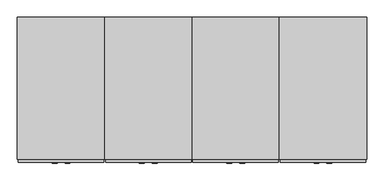
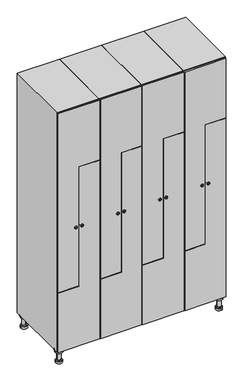
"""IFC4 building model written with IfcOpenShell, lengths in millimetres: furniture geometry."""

from ifc_helpers import new_model, si_unit, point, frame, frame_2d, origin, place, context, project, spatial, polyline, circle_curve, trimmed, segment, composite_curve, outline, extrude, faceted_brep, source, transform, mapped, element, save
from ifc_brep_helpers import plane_surface, cylinder_surface, revolved_surface, advanced_brep


def furniture_01388f38(model_context):
    return source(origin(), model_context, "Body", "SolidModel", [
        advanced_brep(
        [(970.0, -201.0, 22.0), (970.0, -201.5, 16.0), (970.0, -228.5, 16.0), (970.0, -229.0, 22.0), (956.0, -215.0, 22.0), (984.0, -215.0, 22.0), (970.0, -192.5, 16.0), (970.0, -237.5, 16.0), (970.0, -192.5, 0.0), (970.0, -237.5, 0.0), (984.0, -215.0, 78.0), (956.0, -215.0, 78.0), (995.0, -215.0, 78.0), (945.0, -215.0, 78.0), (1000.0, -215.0, 94.0), (940.0, -215.0, 94.0), (945.0, -215.0, 94.0), (995.0, -215.0, 94.0), (1000.0, -215.0, 100.0), (940.0, -215.0, 100.0)],
        [
            (0, 1),
            (1, 2, circle_curve(frame((970.0, -215.0, 16.0), z_axis=(0.0, 0.0, 1.0), x_axis=(0.0, -1.0, 0.0)), 13.5)),
            (2, 3),
            (3, 4, circle_curve(frame((970.0, -215.0, 22.0), z_axis=(0.0, 0.0, -1.0), x_axis=(0.0, -1.0, 0.0)), 14.0)),
            (4, 0, circle_curve(frame((970.0, -215.0, 22.0), z_axis=(0.0, 0.0, -1.0), x_axis=(0.0, -1.0, 0.0)), 14.0)),
            (0, 5, circle_curve(frame((970.0, -215.0, 22.0), z_axis=(0.0, 0.0, -1.0), x_axis=(0.0, 1.0, 0.0)), 14.0)),
            (5, 3, circle_curve(frame((970.0, -215.0, 22.0), z_axis=(0.0, 0.0, -1.0), x_axis=(0.0, 1.0, 0.0)), 14.0)),
            (2, 1, circle_curve(frame((970.0, -215.0, 16.0), z_axis=(0.0, 0.0, 1.0), x_axis=(0.0, 1.0, 0.0)), 13.5)),
            (6, 7, circle_curve(frame((970.0, -215.0, 16.0), z_axis=(0.0, 0.0, 1.0), x_axis=(0.0, -1.0, 0.0)), 22.5)),
            (7, 6, circle_curve(frame((970.0, -215.0, 16.0), z_axis=(0.0, 0.0, 1.0), x_axis=(0.0, -1.0, 0.0)), 22.5)),
            (8, 9, circle_curve(frame((970.0, -215.0, 0.0), z_axis=(0.0, 0.0, -1.0), x_axis=(0.0, -1.0, 0.0)), 22.5)),
            (9, 8, circle_curve(frame((970.0, -215.0, 0.0), z_axis=(0.0, 0.0, -1.0), x_axis=(0.0, -1.0, 0.0)), 22.5)),
            (6, 8),
            (9, 7),
            (5, 10),
            (10, 11, circle_curve(frame((970.0, -215.0, 78.0), z_axis=(0.0, 0.0, -1.0), x_axis=(-1.0, 0.0, 0.0)), 14.0)),
            (11, 4),
            (11, 10, circle_curve(frame((970.0, -215.0, 78.0), z_axis=(0.0, 0.0, -1.0), x_axis=(-1.0, 0.0, 0.0)), 14.0)),
            (12, 13, circle_curve(frame((970.0, -215.0, 78.0), z_axis=(0.0, 0.0, -1.0), x_axis=(-1.0, 0.0, 0.0)), 25.0)),
            (13, 12, circle_curve(frame((970.0, -215.0, 78.0), z_axis=(0.0, 0.0, -1.0), x_axis=(-1.0, 0.0, 0.0)), 25.0)),
            (14, 15, circle_curve(frame((970.0, -215.0, 94.0), z_axis=(0.0, 0.0, -1.0), x_axis=(-1.0, 0.0, 0.0)), 30.0)),
            (15, 14, circle_curve(frame((970.0, -215.0, 94.0), z_axis=(0.0, 0.0, -1.0), x_axis=(-1.0, 0.0, 0.0)), 30.0)),
            (16, 17, circle_curve(frame((970.0, -215.0, 94.0), z_axis=(0.0, 0.0, 1.0), x_axis=(-1.0, 0.0, 0.0)), 25.0)),
            (17, 16, circle_curve(frame((970.0, -215.0, 94.0), z_axis=(0.0, 0.0, 1.0), x_axis=(-1.0, 0.0, 0.0)), 25.0)),
            (18, 19, circle_curve(frame((970.0, -215.0, 100.0), z_axis=(0.0, 0.0, 1.0), x_axis=(-1.0, 0.0, 0.0)), 30.0)),
            (19, 18, circle_curve(frame((970.0, -215.0, 100.0), z_axis=(0.0, 0.0, 1.0), x_axis=(-1.0, 0.0, 0.0)), 30.0)),
            (14, 18),
            (19, 15),
            (12, 17),
            (16, 13),
        ],
        [
            revolved_surface(polyline([(970.0, -201.5, 16.0), (970.0, -201.0, 22.0)]), (970.0, -215.0, -146.0), (0.0, 0.0, 1.0)),
            plane_surface(frame((970.0, 0.0, 16.0), z_axis=(0.0, 0.0, 1.0), x_axis=(0.0, -1.0, 0.0))),
            plane_surface(frame((970.0, 0.0, 0.0), z_axis=(0.0, 0.0, -1.0), x_axis=(0.0, -1.0, 0.0))),
            cylinder_surface(frame((970.0, -215.0, 16.0), z_axis=(0.0, 0.0, 1.0), x_axis=(0.0, -1.0, 0.0)), 22.5),
            cylinder_surface(frame((970.0, -215.0, 22.0), z_axis=(0.0, 0.0, -1.0), x_axis=(-1.0, 0.0, 0.0)), 14.0),
            plane_surface(frame((970.0, 0.0, 78.0), z_axis=(0.0, 0.0, -1.0), x_axis=(0.0, -1.0, 0.0))),
            plane_surface(frame((970.0, 0.0, 94.0), z_axis=(0.0, 0.0, -1.0), x_axis=(0.0, -1.0, 0.0))),
            plane_surface(frame((970.0, 0.0, 100.0), z_axis=(0.0, 0.0, 1.0), x_axis=(0.0, -1.0, 0.0))),
            cylinder_surface(frame((970.0, -215.0, 94.0), z_axis=(0.0, 0.0, -1.0), x_axis=(-1.0, 0.0, 0.0)), 30.0),
            cylinder_surface(frame((970.0, -215.0, 78.0), z_axis=(0.0, 0.0, -1.0), x_axis=(-1.0, 0.0, 0.0)), 25.0),
        ],
        [
            (0, [[1, 2, 3, 4, 5]]),
            (0, [[-1, 6, 7, -3, 8]]),
            (1, [[9, 10], [-2, -8]]),
            (2, [[11, 12]]),
            (3, [[-9, 13, -12, 14]]),
            (3, [[-10, -14, -11, -13]]),
            (4, [[15, 16, 17, -4, -7]]),
            (4, [[-15, -6, -5, -17, 18]]),
            (5, [[19, 20], [-16, -18]]),
            (6, [[21, 22], [23, 24]]),
            (7, [[25, 26]]),
            (8, [[-21, 27, -26, 28]]),
            (8, [[-22, -28, -25, -27]]),
            (9, [[-19, 29, -23, 30]]),
            (9, [[-20, -30, -24, -29]]),
        ],
    ),
        advanced_brep(
        [(-170.0, -201.0, 22.0), (-170.0, -201.5, 16.0), (-170.0, -228.5, 16.0), (-170.0, -229.0, 22.0), (-184.0, -215.0, 22.0), (-156.0, -215.0, 22.0), (-147.5, -215.0, 0.0), (-192.5, -215.0, 0.0), (-147.5, -215.0, 16.0), (-192.5, -215.0, 16.0), (-156.0, -215.0, 78.0), (-184.0, -215.0, 78.0), (-145.0, -215.0, 78.0), (-195.0, -215.0, 78.0), (-140.0, -215.0, 94.0), (-200.0, -215.0, 94.0), (-195.0, -215.0, 94.0), (-145.0, -215.0, 94.0), (-140.0, -215.0, 100.0), (-200.0, -215.0, 100.0)],
        [
            (0, 1),
            (1, 2, circle_curve(frame((-170.0, -215.0, 16.0), z_axis=(0.0, 0.0, 1.0), x_axis=(0.0, -1.0, 0.0)), 13.5)),
            (2, 3),
            (3, 4, circle_curve(frame((-170.0, -215.0, 22.0), z_axis=(0.0, 0.0, -1.0), x_axis=(0.0, -1.0, 0.0)), 14.0)),
            (4, 0, circle_curve(frame((-170.0, -215.0, 22.0), z_axis=(0.0, 0.0, -1.0), x_axis=(0.0, -1.0, 0.0)), 14.0)),
            (0, 5, circle_curve(frame((-170.0, -215.0, 22.0), z_axis=(0.0, 0.0, -1.0), x_axis=(0.0, 1.0, 0.0)), 14.0)),
            (5, 3, circle_curve(frame((-170.0, -215.0, 22.0), z_axis=(0.0, 0.0, -1.0), x_axis=(0.0, 1.0, 0.0)), 14.0)),
            (2, 1, circle_curve(frame((-170.0, -215.0, 16.0), z_axis=(0.0, 0.0, 1.0), x_axis=(0.0, 1.0, 0.0)), 13.5)),
            (6, 7, circle_curve(frame((-170.0, -215.0, 0.0), z_axis=(0.0, 0.0, -1.0), x_axis=(-1.0, 0.0, 0.0)), 22.5)),
            (7, 6, circle_curve(frame((-170.0, -215.0, 0.0), z_axis=(0.0, 0.0, -1.0), x_axis=(-1.0, 0.0, 0.0)), 22.5)),
            (8, 9, circle_curve(frame((-170.0, -215.0, 16.0), z_axis=(0.0, 0.0, 1.0), x_axis=(-1.0, 0.0, 0.0)), 22.5)),
            (9, 8, circle_curve(frame((-170.0, -215.0, 16.0), z_axis=(0.0, 0.0, 1.0), x_axis=(-1.0, 0.0, 0.0)), 22.5)),
            (6, 8),
            (9, 7),
            (5, 10),
            (10, 11, circle_curve(frame((-170.0, -215.0, 78.0), z_axis=(0.0, 0.0, -1.0), x_axis=(-1.0, 0.0, 0.0)), 14.0)),
            (11, 4),
            (11, 10, circle_curve(frame((-170.0, -215.0, 78.0), z_axis=(0.0, 0.0, -1.0), x_axis=(-1.0, 0.0, 0.0)), 14.0)),
            (12, 13, circle_curve(frame((-170.0, -215.0, 78.0), z_axis=(0.0, 0.0, -1.0), x_axis=(-1.0, 0.0, 0.0)), 25.0)),
            (13, 12, circle_curve(frame((-170.0, -215.0, 78.0), z_axis=(0.0, 0.0, -1.0), x_axis=(-1.0, 0.0, 0.0)), 25.0)),
            (14, 15, circle_curve(frame((-170.0, -215.0, 94.0), z_axis=(0.0, 0.0, -1.0), x_axis=(-1.0, 0.0, 0.0)), 30.0)),
            (15, 14, circle_curve(frame((-170.0, -215.0, 94.0), z_axis=(0.0, 0.0, -1.0), x_axis=(-1.0, 0.0, 0.0)), 30.0)),
            (16, 17, circle_curve(frame((-170.0, -215.0, 94.0), z_axis=(0.0, 0.0, 1.0), x_axis=(-1.0, 0.0, 0.0)), 25.0)),
            (17, 16, circle_curve(frame((-170.0, -215.0, 94.0), z_axis=(0.0, 0.0, 1.0), x_axis=(-1.0, 0.0, 0.0)), 25.0)),
            (18, 19, circle_curve(frame((-170.0, -215.0, 100.0), z_axis=(0.0, 0.0, 1.0), x_axis=(-1.0, 0.0, 0.0)), 30.0)),
            (19, 18, circle_curve(frame((-170.0, -215.0, 100.0), z_axis=(0.0, 0.0, 1.0), x_axis=(-1.0, 0.0, 0.0)), 30.0)),
            (14, 18),
            (19, 15),
            (12, 17),
            (16, 13),
        ],
        [
            revolved_surface(polyline([(-170.0, -201.5, 16.0), (-170.0, -201.0, 22.0)]), (-170.0, -215.0, -146.0), (0.0, 0.0, 1.0)),
            plane_surface(frame((-170.0, 0.0, 0.0), z_axis=(0.0, 0.0, -1.0), x_axis=(0.0, -1.0, 0.0))),
            plane_surface(frame((-170.0, 0.0, 16.0), z_axis=(0.0, 0.0, 1.0), x_axis=(0.0, -1.0, 0.0))),
            cylinder_surface(frame((-170.0, -215.0, 0.0), z_axis=(0.0, 0.0, -1.0), x_axis=(-1.0, 0.0, 0.0)), 22.5),
            cylinder_surface(frame((-170.0, -215.0, 22.0), z_axis=(0.0, 0.0, -1.0), x_axis=(-1.0, 0.0, 0.0)), 14.0),
            plane_surface(frame((-170.0, 0.0, 78.0), z_axis=(0.0, 0.0, -1.0), x_axis=(0.0, -1.0, 0.0))),
            plane_surface(frame((-170.0, 0.0, 94.0), z_axis=(0.0, 0.0, -1.0), x_axis=(0.0, -1.0, 0.0))),
            plane_surface(frame((-170.0, 0.0, 100.0), z_axis=(0.0, 0.0, 1.0), x_axis=(0.0, -1.0, 0.0))),
            cylinder_surface(frame((-170.0, -215.0, 94.0), z_axis=(0.0, 0.0, -1.0), x_axis=(-1.0, 0.0, 0.0)), 30.0),
            cylinder_surface(frame((-170.0, -215.0, 78.0), z_axis=(0.0, 0.0, -1.0), x_axis=(-1.0, 0.0, 0.0)), 25.0),
        ],
        [
            (0, [[1, 2, 3, 4, 5]]),
            (0, [[-1, 6, 7, -3, 8]]),
            (1, [[9, 10]]),
            (2, [[11, 12], [-2, -8]]),
            (3, [[-9, 13, -12, 14]]),
            (3, [[-10, -14, -11, -13]]),
            (4, [[15, 16, 17, -4, -7]]),
            (4, [[-15, -6, -5, -17, 18]]),
            (5, [[19, 20], [-16, -18]]),
            (6, [[21, 22], [23, 24]]),
            (7, [[25, 26]]),
            (8, [[-21, 27, -26, 28]]),
            (8, [[-22, -28, -25, -27]]),
            (9, [[-19, 29, -23, 30]]),
            (9, [[-20, -30, -24, -29]]),
        ],
    ),
        advanced_brep(
        [(983.5, 215.0, 16.0), (984.0, 215.0, 22.0), (956.0, 215.0, 22.0), (956.5, 215.0, 16.0), (992.5, 215.0, 0.0), (947.5, 215.0, 0.0), (992.5, 215.0, 16.0), (947.5, 215.0, 16.0), (984.0, 215.0, 78.0), (956.0, 215.0, 78.0), (995.0, 215.0, 78.0), (945.0, 215.0, 78.0), (1000.0, 215.0, 94.0), (940.0, 215.0, 94.0), (945.0, 215.0, 94.0), (995.0, 215.0, 94.0), (1000.0, 215.0, 100.0), (940.0, 215.0, 100.0)],
        [
            (0, 1),
            (1, 2, circle_curve(frame((970.0, 215.0, 22.0), z_axis=(0.0, 0.0, -1.0), x_axis=(-1.0, 0.0, 0.0)), 14.0)),
            (2, 3),
            (3, 0, circle_curve(frame((970.0, 215.0, 16.0), z_axis=(0.0, 0.0, 1.0), x_axis=(-1.0, 0.0, 0.0)), 13.5)),
            (0, 3, circle_curve(frame((970.0, 215.0, 16.0), z_axis=(0.0, 0.0, 1.0), x_axis=(1.0, 0.0, 0.0)), 13.5)),
            (2, 1, circle_curve(frame((970.0, 215.0, 22.0), z_axis=(0.0, 0.0, -1.0), x_axis=(1.0, 0.0, 0.0)), 14.0)),
            (4, 5, circle_curve(frame((970.0, 215.0, 0.0), z_axis=(0.0, 0.0, -1.0), x_axis=(-1.0, 0.0, 0.0)), 22.5)),
            (5, 4, circle_curve(frame((970.0, 215.0, 0.0), z_axis=(0.0, 0.0, -1.0), x_axis=(-1.0, 0.0, 0.0)), 22.5)),
            (6, 7, circle_curve(frame((970.0, 215.0, 16.0), z_axis=(0.0, 0.0, 1.0), x_axis=(-1.0, 0.0, 0.0)), 22.5)),
            (7, 6, circle_curve(frame((970.0, 215.0, 16.0), z_axis=(0.0, 0.0, 1.0), x_axis=(-1.0, 0.0, 0.0)), 22.5)),
            (4, 6),
            (7, 5),
            (1, 8),
            (8, 9, circle_curve(frame((970.0, 215.0, 78.0), z_axis=(0.0, 0.0, -1.0), x_axis=(-1.0, 0.0, 0.0)), 14.0)),
            (9, 2),
            (9, 8, circle_curve(frame((970.0, 215.0, 78.0), z_axis=(0.0, 0.0, -1.0), x_axis=(-1.0, 0.0, 0.0)), 14.0)),
            (10, 11, circle_curve(frame((970.0, 215.0, 78.0), z_axis=(0.0, 0.0, -1.0), x_axis=(-1.0, 0.0, 0.0)), 25.0)),
            (11, 10, circle_curve(frame((970.0, 215.0, 78.0), z_axis=(0.0, 0.0, -1.0), x_axis=(-1.0, 0.0, 0.0)), 25.0)),
            (12, 13, circle_curve(frame((970.0, 215.0, 94.0), z_axis=(0.0, 0.0, -1.0), x_axis=(-1.0, 0.0, 0.0)), 30.0)),
            (13, 12, circle_curve(frame((970.0, 215.0, 94.0), z_axis=(0.0, 0.0, -1.0), x_axis=(-1.0, 0.0, 0.0)), 30.0)),
            (14, 15, circle_curve(frame((970.0, 215.0, 94.0), z_axis=(0.0, 0.0, 1.0), x_axis=(-1.0, 0.0, 0.0)), 25.0)),
            (15, 14, circle_curve(frame((970.0, 215.0, 94.0), z_axis=(0.0, 0.0, 1.0), x_axis=(-1.0, 0.0, 0.0)), 25.0)),
            (16, 17, circle_curve(frame((970.0, 215.0, 100.0), z_axis=(0.0, 0.0, 1.0), x_axis=(-1.0, 0.0, 0.0)), 30.0)),
            (17, 16, circle_curve(frame((970.0, 215.0, 100.0), z_axis=(0.0, 0.0, 1.0), x_axis=(-1.0, 0.0, 0.0)), 30.0)),
            (12, 16),
            (17, 13),
            (10, 15),
            (14, 11),
        ],
        [
            revolved_surface(polyline([(983.5, 215.0, 16.0), (984.0, 215.0, 22.0)]), (970.0, 215.0, -146.0), (0.0, 0.0, 1.0)),
            plane_surface(frame((970.0, 0.0, 0.0), z_axis=(0.0, 0.0, -1.0), x_axis=(0.0, -1.0, 0.0))),
            plane_surface(frame((970.0, 0.0, 16.0), z_axis=(0.0, 0.0, 1.0), x_axis=(0.0, -1.0, 0.0))),
            cylinder_surface(frame((970.0, 215.0, 0.0), z_axis=(0.0, 0.0, -1.0), x_axis=(-1.0, 0.0, 0.0)), 22.5),
            cylinder_surface(frame((970.0, 215.0, 22.0), z_axis=(0.0, 0.0, -1.0), x_axis=(-1.0, 0.0, 0.0)), 14.0),
            plane_surface(frame((970.0, 0.0, 78.0), z_axis=(0.0, 0.0, -1.0), x_axis=(0.0, -1.0, 0.0))),
            plane_surface(frame((970.0, 0.0, 94.0), z_axis=(0.0, 0.0, -1.0), x_axis=(0.0, -1.0, 0.0))),
            plane_surface(frame((970.0, 0.0, 100.0), z_axis=(0.0, 0.0, 1.0), x_axis=(0.0, -1.0, 0.0))),
            cylinder_surface(frame((970.0, 215.0, 94.0), z_axis=(0.0, 0.0, -1.0), x_axis=(-1.0, 0.0, 0.0)), 30.0),
            cylinder_surface(frame((970.0, 215.0, 78.0), z_axis=(0.0, 0.0, -1.0), x_axis=(-1.0, 0.0, 0.0)), 25.0),
        ],
        [
            (0, [[1, 2, 3, 4]]),
            (0, [[-1, 5, -3, 6]]),
            (1, [[7, 8]]),
            (2, [[9, 10], [-4, -5]]),
            (3, [[-7, 11, -10, 12]]),
            (3, [[-8, -12, -9, -11]]),
            (4, [[13, 14, 15, -2]]),
            (4, [[-13, -6, -15, 16]]),
            (5, [[17, 18], [-14, -16]]),
            (6, [[19, 20], [21, 22]]),
            (7, [[23, 24]]),
            (8, [[-19, 25, -24, 26]]),
            (8, [[-20, -26, -23, -25]]),
            (9, [[-17, 27, -21, 28]]),
            (9, [[-18, -28, -22, -27]]),
        ],
    ),
        advanced_brep(
        [(-156.5, 215.0, 16.0), (-156.0, 215.0, 22.0), (-170.0, 201.0, 22.0), (-184.0, 215.0, 22.0), (-183.5, 215.0, 16.0), (-170.0, 229.0, 22.0), (-147.5, 215.0, 0.0), (-192.5, 215.0, 0.0), (-147.5, 215.0, 16.0), (-192.5, 215.0, 16.0), (-170.0, 229.0, 78.0), (-170.0, 201.0, 78.0), (-145.0, 215.0, 78.0), (-195.0, 215.0, 78.0), (-140.0, 215.0, 94.0), (-200.0, 215.0, 94.0), (-195.0, 215.0, 94.0), (-145.0, 215.0, 94.0), (-140.0, 215.0, 100.0), (-200.0, 215.0, 100.0)],
        [
            (0, 1),
            (1, 2, circle_curve(frame((-170.0, 215.0, 22.0), z_axis=(0.0, 0.0, -1.0), x_axis=(-1.0, 0.0, 0.0)), 14.0)),
            (2, 3, circle_curve(frame((-170.0, 215.0, 22.0), z_axis=(0.0, 0.0, -1.0), x_axis=(-1.0, 0.0, 0.0)), 14.0)),
            (3, 4),
            (4, 0, circle_curve(frame((-170.0, 215.0, 16.0), z_axis=(0.0, 0.0, 1.0), x_axis=(-1.0, 0.0, 0.0)), 13.5)),
            (0, 4, circle_curve(frame((-170.0, 215.0, 16.0), z_axis=(0.0, 0.0, 1.0), x_axis=(1.0, 0.0, 0.0)), 13.5)),
            (3, 5, circle_curve(frame((-170.0, 215.0, 22.0), z_axis=(0.0, 0.0, -1.0), x_axis=(1.0, 0.0, 0.0)), 14.0)),
            (5, 1, circle_curve(frame((-170.0, 215.0, 22.0), z_axis=(0.0, 0.0, -1.0), x_axis=(1.0, 0.0, 0.0)), 14.0)),
            (6, 7, circle_curve(frame((-170.0, 215.0, 0.0), z_axis=(0.0, 0.0, -1.0), x_axis=(-1.0, 0.0, 0.0)), 22.5)),
            (7, 6, circle_curve(frame((-170.0, 215.0, 0.0), z_axis=(0.0, 0.0, -1.0), x_axis=(-1.0, 0.0, 0.0)), 22.5)),
            (8, 9, circle_curve(frame((-170.0, 215.0, 16.0), z_axis=(0.0, 0.0, 1.0), x_axis=(-1.0, 0.0, 0.0)), 22.5)),
            (9, 8, circle_curve(frame((-170.0, 215.0, 16.0), z_axis=(0.0, 0.0, 1.0), x_axis=(-1.0, 0.0, 0.0)), 22.5)),
            (6, 8),
            (9, 7),
            (10, 5),
            (2, 11),
            (11, 10, circle_curve(frame((-170.0, 215.0, 78.0), z_axis=(0.0, 0.0, -1.0), x_axis=(0.0, -1.0, 0.0)), 14.0)),
            (10, 11, circle_curve(frame((-170.0, 215.0, 78.0), z_axis=(0.0, 0.0, -1.0), x_axis=(0.0, -1.0, 0.0)), 14.0)),
            (12, 13, circle_curve(frame((-170.0, 215.0, 78.0), z_axis=(0.0, 0.0, -1.0), x_axis=(-1.0, 0.0, 0.0)), 25.0)),
            (13, 12, circle_curve(frame((-170.0, 215.0, 78.0), z_axis=(0.0, 0.0, -1.0), x_axis=(-1.0, 0.0, 0.0)), 25.0)),
            (14, 15, circle_curve(frame((-170.0, 215.0, 94.0), z_axis=(0.0, 0.0, -1.0), x_axis=(-1.0, 0.0, 0.0)), 30.0)),
            (15, 14, circle_curve(frame((-170.0, 215.0, 94.0), z_axis=(0.0, 0.0, -1.0), x_axis=(-1.0, 0.0, 0.0)), 30.0)),
            (16, 17, circle_curve(frame((-170.0, 215.0, 94.0), z_axis=(0.0, 0.0, 1.0), x_axis=(-1.0, 0.0, 0.0)), 25.0)),
            (17, 16, circle_curve(frame((-170.0, 215.0, 94.0), z_axis=(0.0, 0.0, 1.0), x_axis=(-1.0, 0.0, 0.0)), 25.0)),
            (18, 19, circle_curve(frame((-170.0, 215.0, 100.0), z_axis=(0.0, 0.0, 1.0), x_axis=(-1.0, 0.0, 0.0)), 30.0)),
            (19, 18, circle_curve(frame((-170.0, 215.0, 100.0), z_axis=(0.0, 0.0, 1.0), x_axis=(-1.0, 0.0, 0.0)), 30.0)),
            (14, 18),
            (19, 15),
            (12, 17),
            (16, 13),
        ],
        [
            revolved_surface(polyline([(-156.5, 215.0, 16.0), (-156.0, 215.0, 22.0)]), (-170.0, 215.0, -146.0), (0.0, 0.0, 1.0)),
            plane_surface(frame((-170.0, 0.0, 0.0), z_axis=(0.0, 0.0, -1.0), x_axis=(0.0, -1.0, 0.0))),
            plane_surface(frame((-170.0, 0.0, 16.0), z_axis=(0.0, 0.0, 1.0), x_axis=(0.0, -1.0, 0.0))),
            cylinder_surface(frame((-170.0, 215.0, 0.0), z_axis=(0.0, 0.0, -1.0), x_axis=(-1.0, 0.0, 0.0)), 22.5),
            cylinder_surface(frame((-170.0, 215.0, 78.0), z_axis=(0.0, 0.0, 1.0), x_axis=(0.0, -1.0, 0.0)), 14.0),
            plane_surface(frame((-170.0, 0.0, 78.0), z_axis=(0.0, 0.0, -1.0), x_axis=(0.0, -1.0, 0.0))),
            plane_surface(frame((-170.0, 0.0, 94.0), z_axis=(0.0, 0.0, -1.0), x_axis=(0.0, -1.0, 0.0))),
            plane_surface(frame((-170.0, 0.0, 100.0), z_axis=(0.0, 0.0, 1.0), x_axis=(0.0, -1.0, 0.0))),
            cylinder_surface(frame((-170.0, 215.0, 94.0), z_axis=(0.0, 0.0, -1.0), x_axis=(-1.0, 0.0, 0.0)), 30.0),
            cylinder_surface(frame((-170.0, 215.0, 78.0), z_axis=(0.0, 0.0, -1.0), x_axis=(-1.0, 0.0, 0.0)), 25.0),
        ],
        [
            (0, [[1, 2, 3, 4, 5]]),
            (0, [[-1, 6, -4, 7, 8]]),
            (1, [[9, 10]]),
            (2, [[11, 12], [-5, -6]]),
            (3, [[-9, 13, -12, 14]]),
            (3, [[-10, -14, -11, -13]]),
            (4, [[15, -7, -3, 16, 17]]),
            (4, [[-15, 18, -16, -2, -8]]),
            (5, [[19, 20], [-17, -18]]),
            (6, [[21, 22], [23, 24]]),
            (7, [[25, 26]]),
            (8, [[-21, 27, -26, 28]]),
            (8, [[-22, -28, -25, -27]]),
            (9, [[-19, 29, -23, 30]]),
            (9, [[-20, -30, -24, -29]]),
        ],
    ),
        extrude(outline(composite_curve([segment(trimmed(circle_curve(frame_2d((1000.0, 854.7989466)), 7.0), [point((993.0, 854.7989466))], [point((1007.0, 854.7989466))], False, "CARTESIAN"), True, "CONTINUOUS"), segment(polyline([(1007.0, 854.7989466), (1007.0, 826.7989466)]), True, "CONTINUOUS"), segment(trimmed(circle_curve(frame_2d((1000.0, 826.7989466)), 7.0), [point((1007.0, 826.7989466))], [point((993.0, 826.7989466))], False, "CARTESIAN"), True, "CONTINUOUS"), segment(polyline([(993.0, 826.7989466), (993.0, 854.7989466)]), True, "CONTINUOUS")], self_intersect=False)), frame((0.0, -245.0, 0.0), z_axis=(0.0, 1.0, 0.0), x_axis=(0.0, 0.0, 1.0)), (0.0, 0.0, 1.0), 2.0),
        advanced_brep(
        [(819.5, -257.2, 1000.0), (836.5, -257.2, 1000.0), (833.0, -257.2, 1001.25), (833.0, -257.2, 998.75), (823.0, -257.2, 998.75), (823.0, -257.2, 1001.25), (817.5, -255.0, 1000.0), (838.5, -255.0, 1000.0), (833.0, -255.0, 998.75), (833.0, -255.0, 1001.25), (823.0, -255.0, 1001.25), (823.0, -255.0, 998.75)],
        [
            (0, 1, circle_curve(frame((828.0, -257.2, 1000.0), z_axis=(0.0, -1.0, 0.0), x_axis=(-1.0, 0.0, 0.0)), 8.5)),
            (1, 0, circle_curve(frame((828.0, -257.2, 1000.0), z_axis=(0.0, -1.0, 0.0), x_axis=(1.0, 0.0, 0.0)), 8.5)),
            (2, 3),
            (3, 4),
            (4, 5),
            (5, 2),
            (6, 7, circle_curve(frame((828.0, -255.0, 1000.0), z_axis=(0.0, 1.0, 0.0), x_axis=(1.0, 0.0, 0.0)), 10.5)),
            (7, 6, circle_curve(frame((828.0, -255.0, 1000.0), z_axis=(0.0, 1.0, 0.0), x_axis=(-1.0, 0.0, 0.0)), 10.5)),
            (8, 9),
            (9, 10),
            (10, 11),
            (11, 8),
            (0, 6),
            (7, 1),
            (8, 3),
            (2, 9),
            (11, 4),
            (10, 5),
        ],
        [
            plane_surface(frame((828.0, -257.2, 1000.0), z_axis=(0.0, -1.0, 0.0), x_axis=(0.0, 0.0, -1.0))),
            plane_surface(frame((828.0, -255.0, 1000.0), z_axis=(0.0, 1.0, 0.0), x_axis=(0.0, 0.0, -1.0))),
            revolved_surface(polyline([(819.5, -257.2, 1000.0), (817.5, -255.0, 1000.0)]), (828.0, -266.55, 1000.0), (0.0, 1.0, 0.0)),
            revolved_surface(polyline([(836.5, -257.2, 1000.0), (838.5, -255.0, 1000.0)]), (828.0, -266.55, 1000.0), (0.0, 1.0, 0.0)),
            plane_surface(frame((833.0, -255.0, 1001.25), z_axis=(-1.0, 0.0, 0.0), x_axis=(0.0, -1.0, 0.0))),
            plane_surface(frame((833.0, -255.0, 998.75), z_axis=(0.0, 0.0, 1.0), x_axis=(0.0, -1.0, 0.0))),
            plane_surface(frame((823.0, -255.0, 998.75), z_axis=(1.0, 0.0, 0.0), x_axis=(0.0, -1.0, 0.0))),
            plane_surface(frame((823.0, -255.0, 1001.25), z_axis=(0.0, 0.0, -1.0), x_axis=(0.0, -1.0, 0.0))),
        ],
        [
            (0, [[1, 2], [3, 4, 5, 6]]),
            (1, [[7, 8], [9, 10, 11, 12]]),
            (2, [[-1, 13, -8, 14]]),
            (3, [[-2, -14, -7, -13]]),
            (4, [[15, -3, 16, -9]]),
            (5, [[-15, -12, 17, -4]]),
            (6, [[-17, -11, 18, -5]]),
            (7, [[-16, -6, -18, -10]]),
        ],
    ),
        extrude(outline(polyline([(1897.0, 703.0), (553.0, 703.0), (553.0, 848.5), (1450.0, 848.5), (1450.0, 997.0), (1897.0, 997.0), (1897.0, 703.0)])), frame((0.0, -255.0, 0.0), z_axis=(0.0, 1.0, 0.0), x_axis=(0.0, 0.0, 1.0)), (0.0, 0.0, 1.0), 10.0),
        extrude(outline(composite_curve([segment(trimmed(circle_curve(frame_2d((1000.0, 845.2010534)), 7.0), [point((1007.0, 845.2010534))], [point((993.0, 845.2010534))], False, "CARTESIAN"), True, "CONTINUOUS"), segment(polyline([(993.0, 845.2010534), (993.0, 873.2010534)]), True, "CONTINUOUS"), segment(trimmed(circle_curve(frame_2d((1000.0, 873.2010534)), 7.0), [point((993.0, 873.2010534))], [point((1007.0, 873.2010534))], False, "CARTESIAN"), True, "CONTINUOUS"), segment(polyline([(1007.0, 873.2010534), (1007.0, 845.2010534)]), True, "CONTINUOUS")], self_intersect=False)), frame((0.0, -245.0, 0.0), z_axis=(0.0, 1.0, 0.0), x_axis=(0.0, 0.0, 1.0)), (0.0, 0.0, 1.0), 2.0),
        advanced_brep(
        [(880.5, -257.2, 1000.0), (863.5, -257.2, 1000.0), (867.0, -257.2, 998.75), (867.0, -257.2, 1001.25), (877.0, -257.2, 1001.25), (877.0, -257.2, 998.75), (882.5, -255.0, 1000.0), (861.5, -255.0, 1000.0), (867.0, -255.0, 1001.25), (867.0, -255.0, 998.75), (877.0, -255.0, 998.75), (877.0, -255.0, 1001.25)],
        [
            (0, 1, circle_curve(frame((872.0, -257.2, 1000.0), z_axis=(0.0, -1.0, 0.0), x_axis=(1.0, 0.0, 0.0)), 8.5)),
            (1, 0, circle_curve(frame((872.0, -257.2, 1000.0), z_axis=(0.0, -1.0, 0.0), x_axis=(-1.0, 0.0, 0.0)), 8.5)),
            (2, 3),
            (3, 4),
            (4, 5),
            (5, 2),
            (6, 7, circle_curve(frame((872.0, -255.0, 1000.0), z_axis=(0.0, 1.0, 0.0), x_axis=(-1.0, 0.0, 0.0)), 10.5)),
            (7, 6, circle_curve(frame((872.0, -255.0, 1000.0), z_axis=(0.0, 1.0, 0.0), x_axis=(1.0, 0.0, 0.0)), 10.5)),
            (8, 9),
            (9, 10),
            (10, 11),
            (11, 8),
            (0, 6),
            (7, 1),
            (8, 3),
            (2, 9),
            (11, 4),
            (10, 5),
        ],
        [
            plane_surface(frame((872.0, -257.2, 1000.0), z_axis=(0.0, -1.0, 0.0), x_axis=(0.0, 0.0, 1.0))),
            plane_surface(frame((872.0, -255.0, 1000.0), z_axis=(0.0, 1.0, 0.0), x_axis=(0.0, 0.0, 1.0))),
            revolved_surface(polyline([(880.5, -257.2, 1000.0), (882.5, -255.0, 1000.0)]), (872.0, -266.55, 1000.0), (0.0, 1.0, 0.0)),
            revolved_surface(polyline([(863.5, -257.2, 1000.0), (861.5, -255.0, 1000.0)]), (872.0, -266.55, 1000.0), (0.0, 1.0, 0.0)),
            plane_surface(frame((867.0, -255.0, 998.75), z_axis=(1.0, 0.0, 0.0), x_axis=(0.0, -1.0, 0.0))),
            plane_surface(frame((867.0, -255.0, 1001.25), z_axis=(0.0, 0.0, -1.0), x_axis=(0.0, -1.0, 0.0))),
            plane_surface(frame((877.0, -255.0, 1001.25), z_axis=(-1.0, 0.0, 0.0), x_axis=(0.0, -1.0, 0.0))),
            plane_surface(frame((877.0, -255.0, 998.75), z_axis=(0.0, 0.0, 1.0), x_axis=(0.0, -1.0, 0.0))),
        ],
        [
            (0, [[1, 2], [3, 4, 5, 6]]),
            (1, [[7, 8], [9, 10, 11, 12]]),
            (2, [[-1, 13, -8, 14]]),
            (3, [[-2, -14, -7, -13]]),
            (4, [[15, -3, 16, -9]]),
            (5, [[-15, -12, 17, -4]]),
            (6, [[-17, -11, 18, -5]]),
            (7, [[-16, -6, -18, -10]]),
        ],
    ),
        extrude(outline(polyline([(103.0, 997.0), (1447.0, 997.0), (1447.0, 851.5), (550.0, 851.5), (550.0, 703.0), (103.0, 703.0), (103.0, 997.0)])), frame((0.0, -255.0, 0.0), z_axis=(0.0, 1.0, 0.0), x_axis=(0.0, 0.0, 1.0)), (0.0, 0.0, 1.0), 10.0),
        extrude(outline(polyline([(1443.5, 990.0), (1453.5, 990.0), (1453.5, 845.0), (556.5, 845.0), (556.5, 710.0), (546.5, 710.0), (546.5, 855.0), (1443.5, 855.0), (1443.5, 990.0)])), frame((0.0, -245.0, 0.0), z_axis=(0.0, 1.0, 0.0), x_axis=(0.0, 0.0, 1.0)), (0.0, 0.0, 1.0), 486.0),
        faceted_brep([(1000.0, -245.0, 100.0), (1000.0, -245.0, 1900.0), (700.0, -245.0, 1900.0), (700.0, -245.0, 100.0), (990.0, -245.0, 1890.0), (990.0, -245.0, 110.0), (710.0, -245.0, 110.0), (710.0, -245.0, 1890.0), (1000.0, 245.0, 100.0), (700.0, 245.0, 100.0), (1000.0, 245.0, 1900.0), (700.0, 245.0, 1900.0), (990.0, 241.0, 1890.0), (990.0, 241.0, 110.0), (700.0, 245.0, 1890.0), (710.0, 241.0, 1890.0), (710.0, 241.0, 110.0)], [[[0, 1, 2, 3], [4, 5, 6, 7]], [[8, 0, 3, 9]], [[1, 0, 8, 10]], [[1, 10, 11, 2]], [[4, 12, 13, 5]], [[9, 3, 2, 11, 14]], [[10, 8, 9, 14, 11]], [[12, 15, 16, 13]], [[15, 7, 6, 16]], [[4, 7, 15, 12]], [[6, 5, 13, 16]]]),
        extrude(outline(composite_curve([segment(trimmed(circle_curve(frame_2d((1000.0, 554.7989466)), 7.0), [point((993.0, 554.7989466))], [point((1007.0, 554.7989466))], False, "CARTESIAN"), True, "CONTINUOUS"), segment(polyline([(1007.0, 554.7989466), (1007.0, 526.7989466)]), True, "CONTINUOUS"), segment(trimmed(circle_curve(frame_2d((1000.0, 526.7989466)), 7.0), [point((1007.0, 526.7989466))], [point((993.0, 526.7989466))], False, "CARTESIAN"), True, "CONTINUOUS"), segment(polyline([(993.0, 526.7989466), (993.0, 554.7989466)]), True, "CONTINUOUS")], self_intersect=False)), frame((0.0, -245.0, 0.0), z_axis=(0.0, 1.0, 0.0), x_axis=(0.0, 0.0, 1.0)), (0.0, 0.0, 1.0), 2.0),
        advanced_brep(
        [(519.5, -257.2, 1000.0), (536.5, -257.2, 1000.0), (533.0, -257.2, 1001.25), (533.0, -257.2, 998.75), (523.0, -257.2, 998.75), (523.0, -257.2, 1001.25), (517.5, -255.0, 1000.0), (538.5, -255.0, 1000.0), (533.0, -255.0, 998.75), (533.0, -255.0, 1001.25), (523.0, -255.0, 1001.25), (523.0, -255.0, 998.75)],
        [
            (0, 1, circle_curve(frame((528.0, -257.2, 1000.0), z_axis=(0.0, -1.0, 0.0), x_axis=(-1.0, 0.0, 0.0)), 8.5)),
            (1, 0, circle_curve(frame((528.0, -257.2, 1000.0), z_axis=(0.0, -1.0, 0.0), x_axis=(1.0, 0.0, 0.0)), 8.5)),
            (2, 3),
            (3, 4),
            (4, 5),
            (5, 2),
            (6, 7, circle_curve(frame((528.0, -255.0, 1000.0), z_axis=(0.0, 1.0, 0.0), x_axis=(1.0, 0.0, 0.0)), 10.5)),
            (7, 6, circle_curve(frame((528.0, -255.0, 1000.0), z_axis=(0.0, 1.0, 0.0), x_axis=(-1.0, 0.0, 0.0)), 10.5)),
            (8, 9),
            (9, 10),
            (10, 11),
            (11, 8),
            (0, 6),
            (7, 1),
            (8, 3),
            (2, 9),
            (11, 4),
            (10, 5),
        ],
        [
            plane_surface(frame((528.0, -257.2, 1000.0), z_axis=(0.0, -1.0, 0.0), x_axis=(0.0, 0.0, -1.0))),
            plane_surface(frame((528.0, -255.0, 1000.0), z_axis=(0.0, 1.0, 0.0), x_axis=(0.0, 0.0, -1.0))),
            revolved_surface(polyline([(519.5, -257.2, 1000.0), (517.5, -255.0, 1000.0)]), (528.0, -266.55, 1000.0), (0.0, 1.0, 0.0)),
            revolved_surface(polyline([(536.5, -257.2, 1000.0), (538.5, -255.0, 1000.0)]), (528.0, -266.55, 1000.0), (0.0, 1.0, 0.0)),
            plane_surface(frame((533.0, -255.0, 1001.25), z_axis=(-1.0, 0.0, 0.0), x_axis=(0.0, -1.0, 0.0))),
            plane_surface(frame((533.0, -255.0, 998.75), z_axis=(0.0, 0.0, 1.0), x_axis=(0.0, -1.0, 0.0))),
            plane_surface(frame((523.0, -255.0, 998.75), z_axis=(1.0, 0.0, 0.0), x_axis=(0.0, -1.0, 0.0))),
            plane_surface(frame((523.0, -255.0, 1001.25), z_axis=(0.0, 0.0, -1.0), x_axis=(0.0, -1.0, 0.0))),
        ],
        [
            (0, [[1, 2], [3, 4, 5, 6]]),
            (1, [[7, 8], [9, 10, 11, 12]]),
            (2, [[-1, 13, -8, 14]]),
            (3, [[-2, -14, -7, -13]]),
            (4, [[15, -3, 16, -9]]),
            (5, [[-15, -12, 17, -4]]),
            (6, [[-17, -11, 18, -5]]),
            (7, [[-16, -6, -18, -10]]),
        ],
    ),
        extrude(outline(polyline([(1897.0, 403.0), (553.0, 403.0), (553.0, 548.5), (1450.0, 548.5), (1450.0, 697.0), (1897.0, 697.0), (1897.0, 403.0)])), frame((0.0, -255.0, 0.0), z_axis=(0.0, 1.0, 0.0), x_axis=(0.0, 0.0, 1.0)), (0.0, 0.0, 1.0), 10.0),
        extrude(outline(composite_curve([segment(trimmed(circle_curve(frame_2d((1000.0, 545.2010534)), 7.0), [point((1007.0, 545.2010534))], [point((993.0, 545.2010534))], False, "CARTESIAN"), True, "CONTINUOUS"), segment(polyline([(993.0, 545.2010534), (993.0, 573.2010534)]), True, "CONTINUOUS"), segment(trimmed(circle_curve(frame_2d((1000.0, 573.2010534)), 7.0), [point((993.0, 573.2010534))], [point((1007.0, 573.2010534))], False, "CARTESIAN"), True, "CONTINUOUS"), segment(polyline([(1007.0, 573.2010534), (1007.0, 545.2010534)]), True, "CONTINUOUS")], self_intersect=False)), frame((0.0, -245.0, 0.0), z_axis=(0.0, 1.0, 0.0), x_axis=(0.0, 0.0, 1.0)), (0.0, 0.0, 1.0), 2.0),
        advanced_brep(
        [(580.5, -257.2, 1000.0), (563.5, -257.2, 1000.0), (567.0, -257.2, 998.75), (567.0, -257.2, 1001.25), (577.0, -257.2, 1001.25), (577.0, -257.2, 998.75), (582.5, -255.0, 1000.0), (561.5, -255.0, 1000.0), (567.0, -255.0, 1001.25), (567.0, -255.0, 998.75), (577.0, -255.0, 998.75), (577.0, -255.0, 1001.25)],
        [
            (0, 1, circle_curve(frame((572.0, -257.2, 1000.0), z_axis=(0.0, -1.0, 0.0), x_axis=(1.0, 0.0, 0.0)), 8.5)),
            (1, 0, circle_curve(frame((572.0, -257.2, 1000.0), z_axis=(0.0, -1.0, 0.0), x_axis=(-1.0, 0.0, 0.0)), 8.5)),
            (2, 3),
            (3, 4),
            (4, 5),
            (5, 2),
            (6, 7, circle_curve(frame((572.0, -255.0, 1000.0), z_axis=(0.0, 1.0, 0.0), x_axis=(-1.0, 0.0, 0.0)), 10.5)),
            (7, 6, circle_curve(frame((572.0, -255.0, 1000.0), z_axis=(0.0, 1.0, 0.0), x_axis=(1.0, 0.0, 0.0)), 10.5)),
            (8, 9),
            (9, 10),
            (10, 11),
            (11, 8),
            (0, 6),
            (7, 1),
            (8, 3),
            (2, 9),
            (11, 4),
            (10, 5),
        ],
        [
            plane_surface(frame((572.0, -257.2, 1000.0), z_axis=(0.0, -1.0, 0.0), x_axis=(0.0, 0.0, 1.0))),
            plane_surface(frame((572.0, -255.0, 1000.0), z_axis=(0.0, 1.0, 0.0), x_axis=(0.0, 0.0, 1.0))),
            revolved_surface(polyline([(580.5, -257.2, 1000.0), (582.5, -255.0, 1000.0)]), (572.0, -266.55, 1000.0), (0.0, 1.0, 0.0)),
            revolved_surface(polyline([(563.5, -257.2, 1000.0), (561.5, -255.0, 1000.0)]), (572.0, -266.55, 1000.0), (0.0, 1.0, 0.0)),
            plane_surface(frame((567.0, -255.0, 998.75), z_axis=(1.0, 0.0, 0.0), x_axis=(0.0, -1.0, 0.0))),
            plane_surface(frame((567.0, -255.0, 1001.25), z_axis=(0.0, 0.0, -1.0), x_axis=(0.0, -1.0, 0.0))),
            plane_surface(frame((577.0, -255.0, 1001.25), z_axis=(-1.0, 0.0, 0.0), x_axis=(0.0, -1.0, 0.0))),
            plane_surface(frame((577.0, -255.0, 998.75), z_axis=(0.0, 0.0, 1.0), x_axis=(0.0, -1.0, 0.0))),
        ],
        [
            (0, [[1, 2], [3, 4, 5, 6]]),
            (1, [[7, 8], [9, 10, 11, 12]]),
            (2, [[-1, 13, -8, 14]]),
            (3, [[-2, -14, -7, -13]]),
            (4, [[15, -3, 16, -9]]),
            (5, [[-15, -12, 17, -4]]),
            (6, [[-17, -11, 18, -5]]),
            (7, [[-16, -6, -18, -10]]),
        ],
    ),
        extrude(outline(polyline([(103.0, 697.0), (1447.0, 697.0), (1447.0, 551.5), (550.0, 551.5), (550.0, 403.0), (103.0, 403.0), (103.0, 697.0)])), frame((0.0, -255.0, 0.0), z_axis=(0.0, 1.0, 0.0), x_axis=(0.0, 0.0, 1.0)), (0.0, 0.0, 1.0), 10.0),
        extrude(outline(polyline([(1443.5, 690.0), (1453.5, 690.0), (1453.5, 545.0), (556.5, 545.0), (556.5, 410.0), (546.5, 410.0), (546.5, 555.0), (1443.5, 555.0), (1443.5, 690.0)])), frame((0.0, -245.0, 0.0), z_axis=(0.0, 1.0, 0.0), x_axis=(0.0, 0.0, 1.0)), (0.0, 0.0, 1.0), 486.0),
        faceted_brep([(700.0, -245.0, 100.0), (700.0, -245.0, 1900.0), (400.0, -245.0, 1900.0), (400.0, -245.0, 100.0), (690.0, -245.0, 1890.0), (690.0, -245.0, 110.0), (410.0, -245.0, 110.0), (410.0, -245.0, 1890.0), (700.0, 245.0, 100.0), (400.0, 245.0, 100.0), (700.0, 245.0, 1900.0), (400.0, 245.0, 1900.0), (690.0, 241.0, 1890.0), (690.0, 241.0, 110.0), (400.0, 245.0, 1890.0), (410.0, 241.0, 1890.0), (410.0, 241.0, 110.0)], [[[0, 1, 2, 3], [4, 5, 6, 7]], [[8, 0, 3, 9]], [[1, 0, 8, 10]], [[1, 10, 11, 2]], [[4, 12, 13, 5]], [[9, 3, 2, 11, 14]], [[10, 8, 9, 14, 11]], [[12, 15, 16, 13]], [[15, 7, 6, 16]], [[4, 7, 15, 12]], [[6, 5, 13, 16]]]),
        extrude(outline(composite_curve([segment(trimmed(circle_curve(frame_2d((1000.0, 254.7989466)), 7.0), [point((993.0, 254.7989466))], [point((1007.0, 254.7989466))], False, "CARTESIAN"), True, "CONTINUOUS"), segment(polyline([(1007.0, 254.7989466), (1007.0, 226.7989466)]), True, "CONTINUOUS"), segment(trimmed(circle_curve(frame_2d((1000.0, 226.7989466)), 7.0), [point((1007.0, 226.7989466))], [point((993.0, 226.7989466))], False, "CARTESIAN"), True, "CONTINUOUS"), segment(polyline([(993.0, 226.7989466), (993.0, 254.7989466)]), True, "CONTINUOUS")], self_intersect=False)), frame((0.0, -245.0, 0.0), z_axis=(0.0, 1.0, 0.0), x_axis=(0.0, 0.0, 1.0)), (0.0, 0.0, 1.0), 2.0),
        advanced_brep(
        [(219.5, -257.2, 1000.0), (236.5, -257.2, 1000.0), (233.0, -257.2, 1001.25), (233.0, -257.2, 998.75), (223.0, -257.2, 998.75), (223.0, -257.2, 1001.25), (217.5, -255.0, 1000.0), (238.5, -255.0, 1000.0), (233.0, -255.0, 998.75), (233.0, -255.0, 1001.25), (223.0, -255.0, 1001.25), (223.0, -255.0, 998.75)],
        [
            (0, 1, circle_curve(frame((228.0, -257.2, 1000.0), z_axis=(0.0, -1.0, 0.0), x_axis=(-1.0, 0.0, 0.0)), 8.5)),
            (1, 0, circle_curve(frame((228.0, -257.2, 1000.0), z_axis=(0.0, -1.0, 0.0), x_axis=(1.0, 0.0, 0.0)), 8.5)),
            (2, 3),
            (3, 4),
            (4, 5),
            (5, 2),
            (6, 7, circle_curve(frame((228.0, -255.0, 1000.0), z_axis=(0.0, 1.0, 0.0), x_axis=(1.0, 0.0, 0.0)), 10.5)),
            (7, 6, circle_curve(frame((228.0, -255.0, 1000.0), z_axis=(0.0, 1.0, 0.0), x_axis=(-1.0, 0.0, 0.0)), 10.5)),
            (8, 9),
            (9, 10),
            (10, 11),
            (11, 8),
            (0, 6),
            (7, 1),
            (8, 3),
            (2, 9),
            (11, 4),
            (10, 5),
        ],
        [
            plane_surface(frame((228.0, -257.2, 1000.0), z_axis=(0.0, -1.0, 0.0), x_axis=(0.0, 0.0, -1.0))),
            plane_surface(frame((228.0, -255.0, 1000.0), z_axis=(0.0, 1.0, 0.0), x_axis=(0.0, 0.0, -1.0))),
            revolved_surface(polyline([(219.5, -257.2, 1000.0), (217.5, -255.0, 1000.0)]), (228.0, -266.55, 1000.0), (0.0, 1.0, 0.0)),
            revolved_surface(polyline([(236.5, -257.2, 1000.0), (238.5, -255.0, 1000.0)]), (228.0, -266.55, 1000.0), (0.0, 1.0, 0.0)),
            plane_surface(frame((233.0, -255.0, 1001.25), z_axis=(-1.0, 0.0, 0.0), x_axis=(0.0, -1.0, 0.0))),
            plane_surface(frame((233.0, -255.0, 998.75), z_axis=(0.0, 0.0, 1.0), x_axis=(0.0, -1.0, 0.0))),
            plane_surface(frame((223.0, -255.0, 998.75), z_axis=(1.0, 0.0, 0.0), x_axis=(0.0, -1.0, 0.0))),
            plane_surface(frame((223.0, -255.0, 1001.25), z_axis=(0.0, 0.0, -1.0), x_axis=(0.0, -1.0, 0.0))),
        ],
        [
            (0, [[1, 2], [3, 4, 5, 6]]),
            (1, [[7, 8], [9, 10, 11, 12]]),
            (2, [[-1, 13, -8, 14]]),
            (3, [[-2, -14, -7, -13]]),
            (4, [[15, -3, 16, -9]]),
            (5, [[-15, -12, 17, -4]]),
            (6, [[-17, -11, 18, -5]]),
            (7, [[-16, -6, -18, -10]]),
        ],
    ),
        extrude(outline(polyline([(1897.0, 103.0), (553.0, 103.0), (553.0, 248.5), (1450.0, 248.5), (1450.0, 397.0), (1897.0, 397.0), (1897.0, 103.0)])), frame((0.0, -255.0, 0.0), z_axis=(0.0, 1.0, 0.0), x_axis=(0.0, 0.0, 1.0)), (0.0, 0.0, 1.0), 10.0),
        extrude(outline(composite_curve([segment(trimmed(circle_curve(frame_2d((1000.0, 245.2010534)), 7.0), [point((1007.0, 245.2010534))], [point((993.0, 245.2010534))], False, "CARTESIAN"), True, "CONTINUOUS"), segment(polyline([(993.0, 245.2010534), (993.0, 273.2010534)]), True, "CONTINUOUS"), segment(trimmed(circle_curve(frame_2d((1000.0, 273.2010534)), 7.0), [point((993.0, 273.2010534))], [point((1007.0, 273.2010534))], False, "CARTESIAN"), True, "CONTINUOUS"), segment(polyline([(1007.0, 273.2010534), (1007.0, 245.2010534)]), True, "CONTINUOUS")], self_intersect=False)), frame((0.0, -245.0, 0.0), z_axis=(0.0, 1.0, 0.0), x_axis=(0.0, 0.0, 1.0)), (0.0, 0.0, 1.0), 2.0),
        advanced_brep(
        [(280.5, -257.2, 1000.0), (263.5, -257.2, 1000.0), (267.0, -257.2, 998.75), (267.0, -257.2, 1001.25), (277.0, -257.2, 1001.25), (277.0, -257.2, 998.75), (282.5, -255.0, 1000.0), (261.5, -255.0, 1000.0), (267.0, -255.0, 1001.25), (267.0, -255.0, 998.75), (277.0, -255.0, 998.75), (277.0, -255.0, 1001.25)],
        [
            (0, 1, circle_curve(frame((272.0, -257.2, 1000.0), z_axis=(0.0, -1.0, 0.0), x_axis=(1.0, 0.0, 0.0)), 8.5)),
            (1, 0, circle_curve(frame((272.0, -257.2, 1000.0), z_axis=(0.0, -1.0, 0.0), x_axis=(-1.0, 0.0, 0.0)), 8.5)),
            (2, 3),
            (3, 4),
            (4, 5),
            (5, 2),
            (6, 7, circle_curve(frame((272.0, -255.0, 1000.0), z_axis=(0.0, 1.0, 0.0), x_axis=(-1.0, 0.0, 0.0)), 10.5)),
            (7, 6, circle_curve(frame((272.0, -255.0, 1000.0), z_axis=(0.0, 1.0, 0.0), x_axis=(1.0, 0.0, 0.0)), 10.5)),
            (8, 9),
            (9, 10),
            (10, 11),
            (11, 8),
            (0, 6),
            (7, 1),
            (8, 3),
            (2, 9),
            (11, 4),
            (10, 5),
        ],
        [
            plane_surface(frame((272.0, -257.2, 1000.0), z_axis=(0.0, -1.0, 0.0), x_axis=(0.0, 0.0, 1.0))),
            plane_surface(frame((272.0, -255.0, 1000.0), z_axis=(0.0, 1.0, 0.0), x_axis=(0.0, 0.0, 1.0))),
            revolved_surface(polyline([(280.5, -257.2, 1000.0), (282.5, -255.0, 1000.0)]), (272.0, -266.55, 1000.0), (0.0, 1.0, 0.0)),
            revolved_surface(polyline([(263.5, -257.2, 1000.0), (261.5, -255.0, 1000.0)]), (272.0, -266.55, 1000.0), (0.0, 1.0, 0.0)),
            plane_surface(frame((267.0, -255.0, 998.75), z_axis=(1.0, 0.0, 0.0), x_axis=(0.0, -1.0, 0.0))),
            plane_surface(frame((267.0, -255.0, 1001.25), z_axis=(0.0, 0.0, -1.0), x_axis=(0.0, -1.0, 0.0))),
            plane_surface(frame((277.0, -255.0, 1001.25), z_axis=(-1.0, 0.0, 0.0), x_axis=(0.0, -1.0, 0.0))),
            plane_surface(frame((277.0, -255.0, 998.75), z_axis=(0.0, 0.0, 1.0), x_axis=(0.0, -1.0, 0.0))),
        ],
        [
            (0, [[1, 2], [3, 4, 5, 6]]),
            (1, [[7, 8], [9, 10, 11, 12]]),
            (2, [[-1, 13, -8, 14]]),
            (3, [[-2, -14, -7, -13]]),
            (4, [[15, -3, 16, -9]]),
            (5, [[-15, -12, 17, -4]]),
            (6, [[-17, -11, 18, -5]]),
            (7, [[-16, -6, -18, -10]]),
        ],
    ),
        extrude(outline(polyline([(103.0, 397.0), (1447.0, 397.0), (1447.0, 251.5), (550.0, 251.5), (550.0, 103.0), (103.0, 103.0), (103.0, 397.0)])), frame((0.0, -255.0, 0.0), z_axis=(0.0, 1.0, 0.0), x_axis=(0.0, 0.0, 1.0)), (0.0, 0.0, 1.0), 10.0),
        extrude(outline(polyline([(1443.5, 390.0), (1453.5, 390.0), (1453.5, 245.0), (556.5, 245.0), (556.5, 110.0), (546.5, 110.0), (546.5, 255.0), (1443.5, 255.0), (1443.5, 390.0)])), frame((0.0, -245.0, 0.0), z_axis=(0.0, 1.0, 0.0), x_axis=(0.0, 0.0, 1.0)), (0.0, 0.0, 1.0), 486.0),
        faceted_brep([(400.0, -245.0, 100.0), (400.0, -245.0, 1900.0), (100.0, -245.0, 1900.0), (100.0, -245.0, 100.0), (390.0, -245.0, 1890.0), (390.0, -245.0, 110.0), (110.0, -245.0, 110.0), (110.0, -245.0, 1890.0), (400.0, 245.0, 100.0), (100.0, 245.0, 100.0), (400.0, 245.0, 1900.0), (100.0, 245.0, 1900.0), (390.0, 241.0, 1890.0), (390.0, 241.0, 110.0), (100.0, 245.0, 1890.0), (110.0, 241.0, 1890.0), (110.0, 241.0, 110.0)], [[[0, 1, 2, 3], [4, 5, 6, 7]], [[8, 0, 3, 9]], [[1, 0, 8, 10]], [[1, 10, 11, 2]], [[4, 12, 13, 5]], [[9, 3, 2, 11, 14]], [[10, 8, 9, 14, 11]], [[12, 15, 16, 13]], [[15, 7, 6, 16]], [[4, 7, 15, 12]], [[6, 5, 13, 16]]]),
        extrude(outline(composite_curve([segment(trimmed(circle_curve(frame_2d((1000.0, -45.2010534)), 7.0), [point((993.0, -45.2010534))], [point((1007.0, -45.2010534))], False, "CARTESIAN"), True, "CONTINUOUS"), segment(polyline([(1007.0, -45.2010534), (1007.0, -73.2010534)]), True, "CONTINUOUS"), segment(trimmed(circle_curve(frame_2d((1000.0, -73.2010534)), 7.0), [point((1007.0, -73.2010534))], [point((993.0, -73.2010534))], False, "CARTESIAN"), True, "CONTINUOUS"), segment(polyline([(993.0, -73.2010534), (993.0, -45.2010534)]), True, "CONTINUOUS")], self_intersect=False)), frame((0.0, -245.0, 0.0), z_axis=(0.0, 1.0, 0.0), x_axis=(0.0, 0.0, 1.0)), (0.0, 0.0, 1.0), 2.0),
        advanced_brep(
        [(-80.5, -257.2, 1000.0), (-63.5, -257.2, 1000.0), (-67.0, -257.2, 1001.25), (-67.0, -257.2, 998.75), (-77.0, -257.2, 998.75), (-77.0, -257.2, 1001.25), (-82.5, -255.0, 1000.0), (-61.5, -255.0, 1000.0), (-67.0, -255.0, 998.75), (-67.0, -255.0, 1001.25), (-77.0, -255.0, 1001.25), (-77.0, -255.0, 998.75)],
        [
            (0, 1, circle_curve(frame((-72.0, -257.2, 1000.0), z_axis=(0.0, -1.0, 0.0), x_axis=(-1.0, 0.0, 0.0)), 8.5)),
            (1, 0, circle_curve(frame((-72.0, -257.2, 1000.0), z_axis=(0.0, -1.0, 0.0), x_axis=(1.0, 0.0, 0.0)), 8.5)),
            (2, 3),
            (3, 4),
            (4, 5),
            (5, 2),
            (6, 7, circle_curve(frame((-72.0, -255.0, 1000.0), z_axis=(0.0, 1.0, 0.0), x_axis=(1.0, 0.0, 0.0)), 10.5)),
            (7, 6, circle_curve(frame((-72.0, -255.0, 1000.0), z_axis=(0.0, 1.0, 0.0), x_axis=(-1.0, 0.0, 0.0)), 10.5)),
            (8, 9),
            (9, 10),
            (10, 11),
            (11, 8),
            (0, 6),
            (7, 1),
            (8, 3),
            (2, 9),
            (11, 4),
            (10, 5),
        ],
        [
            plane_surface(frame((-72.0, -257.2, 1000.0), z_axis=(0.0, -1.0, 0.0), x_axis=(0.0, 0.0, -1.0))),
            plane_surface(frame((-72.0, -255.0, 1000.0), z_axis=(0.0, 1.0, 0.0), x_axis=(0.0, 0.0, -1.0))),
            revolved_surface(polyline([(-80.50000000000001, -257.2, 1000.0), (-82.5, -255.0, 1000.0)]), (-72.0, -266.55, 1000.0), (0.0, 1.0, 0.0)),
            revolved_surface(polyline([(-63.499999999999986, -257.2, 1000.0), (-61.5, -255.0, 1000.0)]), (-72.0, -266.55, 1000.0), (0.0, 1.0, 0.0)),
            plane_surface(frame((-67.0, -255.0, 1001.25), z_axis=(-1.0, 0.0, 0.0), x_axis=(0.0, -1.0, 0.0))),
            plane_surface(frame((-67.0, -255.0, 998.75), z_axis=(0.0, 0.0, 1.0), x_axis=(0.0, -1.0, 0.0))),
            plane_surface(frame((-77.0, -255.0, 998.75), z_axis=(1.0, 0.0, 0.0), x_axis=(0.0, -1.0, 0.0))),
            plane_surface(frame((-77.0, -255.0, 1001.25), z_axis=(0.0, 0.0, -1.0), x_axis=(0.0, -1.0, 0.0))),
        ],
        [
            (0, [[1, 2], [3, 4, 5, 6]]),
            (1, [[7, 8], [9, 10, 11, 12]]),
            (2, [[-1, 13, -8, 14]]),
            (3, [[-2, -14, -7, -13]]),
            (4, [[15, -3, 16, -9]]),
            (5, [[-15, -12, 17, -4]]),
            (6, [[-17, -11, 18, -5]]),
            (7, [[-16, -6, -18, -10]]),
        ],
    ),
        extrude(outline(polyline([(1897.0, -197.0), (553.0, -197.0), (553.0, -51.5), (1450.0, -51.5), (1450.0, 97.0), (1897.0, 97.0), (1897.0, -197.0)])), frame((0.0, -255.0, 0.0), z_axis=(0.0, 1.0, 0.0), x_axis=(0.0, 0.0, 1.0)), (0.0, 0.0, 1.0), 10.0),
        extrude(outline(composite_curve([segment(trimmed(circle_curve(frame_2d((1000.0, -54.7989466)), 7.0), [point((1007.0, -54.7989466))], [point((993.0, -54.7989466))], False, "CARTESIAN"), True, "CONTINUOUS"), segment(polyline([(993.0, -54.7989466), (993.0, -26.7989466)]), True, "CONTINUOUS"), segment(trimmed(circle_curve(frame_2d((1000.0, -26.7989466)), 7.0), [point((993.0, -26.7989466))], [point((1007.0, -26.7989466))], False, "CARTESIAN"), True, "CONTINUOUS"), segment(polyline([(1007.0, -26.7989466), (1007.0, -54.7989466)]), True, "CONTINUOUS")], self_intersect=False)), frame((0.0, -245.0, 0.0), z_axis=(0.0, 1.0, 0.0), x_axis=(0.0, 0.0, 1.0)), (0.0, 0.0, 1.0), 2.0),
        advanced_brep(
        [(-19.5, -257.2, 1000.0), (-36.5, -257.2, 1000.0), (-33.0, -257.2, 998.75), (-33.0, -257.2, 1001.25), (-23.0, -257.2, 1001.25), (-23.0, -257.2, 998.75), (-17.5, -255.0, 1000.0), (-38.5, -255.0, 1000.0), (-33.0, -255.0, 1001.25), (-33.0, -255.0, 998.75), (-23.0, -255.0, 998.75), (-23.0, -255.0, 1001.25)],
        [
            (0, 1, circle_curve(frame((-28.0, -257.2, 1000.0), z_axis=(0.0, -1.0, 0.0), x_axis=(1.0, 0.0, 0.0)), 8.5)),
            (1, 0, circle_curve(frame((-28.0, -257.2, 1000.0), z_axis=(0.0, -1.0, 0.0), x_axis=(-1.0, 0.0, 0.0)), 8.5)),
            (2, 3),
            (3, 4),
            (4, 5),
            (5, 2),
            (6, 7, circle_curve(frame((-28.0, -255.0, 1000.0), z_axis=(0.0, 1.0, 0.0), x_axis=(-1.0, 0.0, 0.0)), 10.5)),
            (7, 6, circle_curve(frame((-28.0, -255.0, 1000.0), z_axis=(0.0, 1.0, 0.0), x_axis=(1.0, 0.0, 0.0)), 10.5)),
            (8, 9),
            (9, 10),
            (10, 11),
            (11, 8),
            (0, 6),
            (7, 1),
            (8, 3),
            (2, 9),
            (11, 4),
            (10, 5),
        ],
        [
            plane_surface(frame((-28.0, -257.2, 1000.0), z_axis=(0.0, -1.0, 0.0), x_axis=(0.0, 0.0, 1.0))),
            plane_surface(frame((-28.0, -255.0, 1000.0), z_axis=(0.0, 1.0, 0.0), x_axis=(0.0, 0.0, 1.0))),
            revolved_surface(polyline([(-19.499999999999986, -257.2, 1000.0), (-17.5, -255.0, 1000.0)]), (-28.0, -266.55, 1000.0), (0.0, 1.0, 0.0)),
            revolved_surface(polyline([(-36.500000000000014, -257.2, 1000.0), (-38.5, -255.0, 1000.0)]), (-28.0, -266.55, 1000.0), (0.0, 1.0, 0.0)),
            plane_surface(frame((-33.0, -255.0, 998.75), z_axis=(1.0, 0.0, 0.0), x_axis=(0.0, -1.0, 0.0))),
            plane_surface(frame((-33.0, -255.0, 1001.25), z_axis=(0.0, 0.0, -1.0), x_axis=(0.0, -1.0, 0.0))),
            plane_surface(frame((-23.0, -255.0, 1001.25), z_axis=(-1.0, 0.0, 0.0), x_axis=(0.0, -1.0, 0.0))),
            plane_surface(frame((-23.0, -255.0, 998.75), z_axis=(0.0, 0.0, 1.0), x_axis=(0.0, -1.0, 0.0))),
        ],
        [
            (0, [[1, 2], [3, 4, 5, 6]]),
            (1, [[7, 8], [9, 10, 11, 12]]),
            (2, [[-1, 13, -8, 14]]),
            (3, [[-2, -14, -7, -13]]),
            (4, [[15, -3, 16, -9]]),
            (5, [[-15, -12, 17, -4]]),
            (6, [[-17, -11, 18, -5]]),
            (7, [[-16, -6, -18, -10]]),
        ],
    ),
        extrude(outline(polyline([(103.0, 97.0), (1447.0, 97.0), (1447.0, -48.5), (550.0, -48.5), (550.0, -197.0), (103.0, -197.0), (103.0, 97.0)])), frame((0.0, -255.0, 0.0), z_axis=(0.0, 1.0, 0.0), x_axis=(0.0, 0.0, 1.0)), (0.0, 0.0, 1.0), 10.0),
        extrude(outline(polyline([(1443.5, 90.0), (1453.5, 90.0), (1453.5, -55.0), (556.5, -55.0), (556.5, -190.0), (546.5, -190.0), (546.5, -45.0), (1443.5, -45.0), (1443.5, 90.0)])), frame((0.0, -245.0, 0.0), z_axis=(0.0, 1.0, 0.0), x_axis=(0.0, 0.0, 1.0)), (0.0, 0.0, 1.0), 486.0),
        faceted_brep([(100.0, -245.0, 100.0), (100.0, -245.0, 1900.0), (-200.0, -245.0, 1900.0), (-200.0, -245.0, 100.0), (90.0, -245.0, 1890.0), (90.0, -245.0, 110.0), (-190.0, -245.0, 110.0), (-190.0, -245.0, 1890.0), (100.0, 245.0, 100.0), (-200.0, 245.0, 100.0), (100.0, 245.0, 1900.0), (-200.0, 245.0, 1900.0), (90.0, 241.0, 1890.0), (90.0, 241.0, 110.0), (-200.0, 245.0, 1890.0), (-190.0, 241.0, 1890.0), (-190.0, 241.0, 110.0)], [[[0, 1, 2, 3], [4, 5, 6, 7]], [[8, 0, 3, 9]], [[1, 0, 8, 10]], [[1, 10, 11, 2]], [[4, 12, 13, 5]], [[9, 3, 2, 11, 14]], [[10, 8, 9, 14, 11]], [[12, 15, 16, 13]], [[15, 7, 6, 16]], [[4, 7, 15, 12]], [[6, 5, 13, 16]]]),
    ])


if __name__ == "__main__":
    model = new_model("IFC4")
    model_context = context("Model", 3, world=origin())
    ifc_project = project(units=[si_unit("LENGTHUNIT", "METRE", prefix="MILLI")], contexts=[model_context])
    site = spatial("IfcSite", under=ifc_project)
    building = spatial("IfcBuilding", under=site)
    placement = place(None, origin())
    furniture_shape = furniture_01388f38(model_context)
    element("IfcFurniture", 1, at=placement, inside=building, context=model_context, shape_type="MappedRepresentation", body=[
        mapped(furniture_shape, transform((0.0, 0.0, 0.0), x_axis=(1.0, 0.0, 0.0), y_axis=(0.0, 1.0, 0.0), z_axis=(0.0, 0.0, 1.0))),
    ])
    save(model, "model.ifc")
